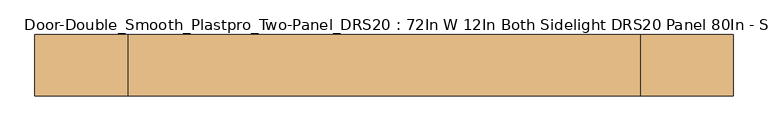
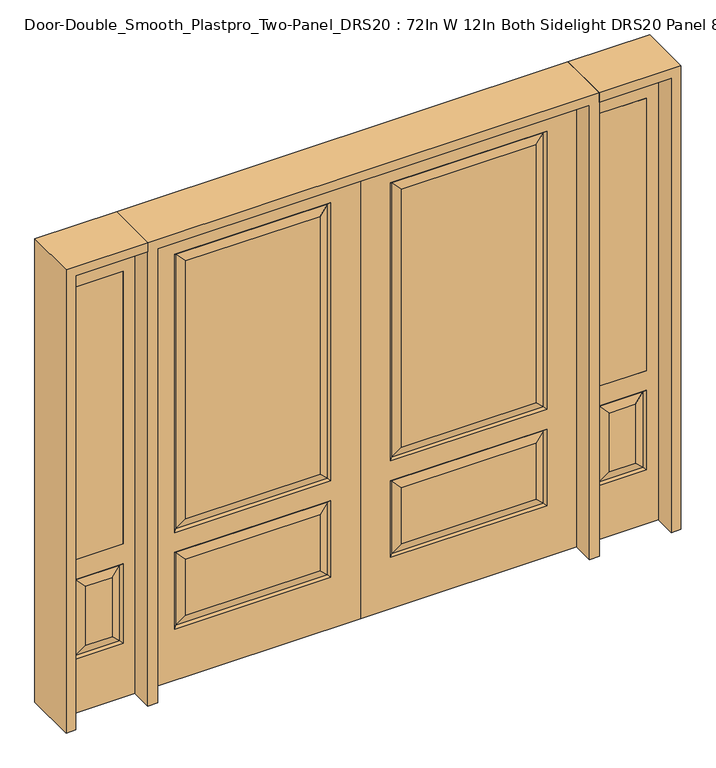
"""IFC4 building model written with IfcOpenShell, lengths in millimetres: door geometry, Door-Double_Smooth_Plastpro_Two-Panel_DRS20 : 72In W 12In Both Sidelight DRS20 Panel 80In - Smooth."""

from ifc_helpers import new_model, si_unit, frame, origin, place, context, project, spatial, polyline, outline, extrude, faceted_brep, source, transform, mapped, element, save


def door_double_smooth_plastpro_two_panel_drs20_72in_w_12in_both_73765ece(model_context):
    return source(origin(), model_context, "Body", "SolidModel", [
        faceted_brep([(-914.4, 20.6375, 2032.0), (-914.4, -20.6375, 2032.0), (0.0, -20.6375, 2032.0), (0.0, 20.6375, 2032.0), (-914.4, -20.6375, 0.0), (0.0, -20.6375, 0.0), (-787.4, -20.6375, 228.6), (-787.4, -20.6375, 571.5), (-127.0, -20.6375, 571.5), (-127.0, -20.6375, 228.6), (-787.4, -20.6375, 660.4), (-787.4, -20.6375, 1905.0), (-127.0, -20.6375, 1905.0), (-127.0, -20.6375, 660.4), (-173.0375, -20.6375, 706.4375), (-173.0375, -20.6375, 1858.9625), (-741.3625, -20.6375, 1858.9625), (-741.3625, -20.6375, 706.4375), (-173.0375, -20.6375, 274.6375), (-173.0375, -20.6375, 525.4625), (-741.3625, -20.6375, 525.4625), (-741.3625, -20.6375, 274.6375), (-778.4197439, 11.6572439, 562.5197439), (-787.4, 20.6375, 571.5), (-127.0, 20.6375, 571.5), (-135.9802561, 11.6572439, 562.5197439), (-127.0, 20.6375, 228.6), (-135.9802561, 11.6572439, 237.5802561), (-787.4, 20.6375, 228.6), (-778.4197439, 11.6572439, 237.5802561), (-778.4197439, -11.6572439, 669.3802561), (-135.9802561, -11.6572439, 669.3802561), (-135.9802561, -11.6572439, 1896.0197439), (-778.4197439, -11.6572439, 1896.0197439), (-778.4197439, -11.6572439, 237.5802561), (-135.9802561, -11.6572439, 237.5802561), (-778.4197439, -11.6572439, 562.5197439), (-135.9802561, -11.6572439, 562.5197439), (-914.4, 20.6375, 0.0), (0.0, 20.6375, 0.0), (-173.0375, 20.6375, 525.4625), (-173.0375, 20.6375, 274.6375), (-741.3625, 20.6375, 274.6375), (-741.3625, 20.6375, 525.4625), (-787.4, 20.6375, 1905.0), (-787.4, 20.6375, 660.4), (-127.0, 20.6375, 660.4), (-127.0, 20.6375, 1905.0), (-173.0375, 20.6375, 1858.9625), (-173.0375, 20.6375, 706.4375), (-741.3625, 20.6375, 706.4375), (-741.3625, 20.6375, 1858.9625), (-135.9802561, 11.6572439, 669.3802561), (-135.9802561, 11.6572439, 1896.0197439), (-778.4197439, 11.6572439, 669.3802561), (-778.4197439, 11.6572439, 1896.0197439)], [[[0, 1, 2, 3]], [[1, 4, 5, 2], [6, 7, 8, 9], [10, 11, 12, 13]], [[14, 15, 16, 17]], [[18, 19, 20, 21]], [[22, 23, 24, 25]], [[24, 26, 27, 25]], [[26, 28, 29, 27]], [[22, 29, 28, 23]], [[30, 10, 13, 31]], [[13, 12, 32, 31]], [[30, 33, 11, 10]], [[31, 14, 17, 30]], [[31, 32, 15, 14]], [[34, 6, 9, 35]], [[34, 36, 7, 6]], [[37, 36, 20, 19]], [[35, 37, 19, 18]], [[38, 39, 5, 4]], [[0, 38, 4, 1]], [[2, 5, 39, 3]], [[40, 41, 42, 43]], [[3, 39, 38, 0], [23, 28, 26, 24], [44, 45, 46, 47]], [[48, 49, 50, 51]], [[47, 46, 52, 53]], [[46, 45, 54, 52]], [[55, 54, 45, 44]], [[51, 50, 54, 55]], [[52, 54, 50, 49]], [[53, 52, 49, 48]], [[25, 40, 43, 22]], [[43, 42, 29, 22]], [[27, 29, 42, 41]], [[25, 27, 41, 40]], [[17, 16, 33, 30]], [[9, 8, 37, 35]], [[8, 7, 36, 37]], [[35, 18, 21, 34]], [[21, 20, 36, 34]], [[12, 11, 33, 32]], [[32, 33, 16, 15]], [[55, 44, 47, 53]], [[53, 48, 51, 55]]]),
        faceted_brep([(914.4, 20.6375, 2032.0), (0.0, 20.6375, 2032.0), (0.0, -20.6375, 2032.0), (914.4, -20.6375, 2032.0), (173.0375, -20.6375, 706.4375), (741.3625, -20.6375, 706.4375), (741.3625, -20.6375, 1858.9625), (173.0375, -20.6375, 1858.9625), (173.0375, -20.6375, 274.6375), (741.3625, -20.6375, 274.6375), (741.3625, -20.6375, 525.4625), (173.0375, -20.6375, 525.4625), (0.0, -20.6375, 0.0), (914.4, -20.6375, 0.0), (787.4, -20.6375, 660.4), (127.0, -20.6375, 660.4), (127.0, -20.6375, 1905.0), (787.4, -20.6375, 1905.0), (787.4, -20.6375, 228.6), (127.0, -20.6375, 228.6), (127.0, -20.6375, 571.5), (787.4, -20.6375, 571.5), (778.4197439, 11.6572439, 562.5197439), (135.9802561, 11.6572439, 562.5197439), (127.0, 20.6375, 571.5), (787.4, 20.6375, 571.5), (135.9802561, 11.6572439, 237.5802561), (127.0, 20.6375, 228.6), (778.4197439, 11.6572439, 237.5802561), (787.4, 20.6375, 228.6), (778.4197439, -11.6572439, 669.3802561), (135.9802561, -11.6572439, 669.3802561), (135.9802561, -11.6572439, 1896.0197439), (778.4197439, -11.6572439, 1896.0197439), (778.4197439, -11.6572439, 237.5802561), (135.9802561, -11.6572439, 237.5802561), (778.4197439, -11.6572439, 562.5197439), (135.9802561, -11.6572439, 562.5197439), (914.4, 20.6375, 0.0), (0.0, 20.6375, 0.0), (173.0375, 20.6375, 525.4625), (741.3625, 20.6375, 525.4625), (741.3625, 20.6375, 274.6375), (173.0375, 20.6375, 274.6375), (173.0375, 20.6375, 1858.9625), (741.3625, 20.6375, 1858.9625), (741.3625, 20.6375, 706.4375), (173.0375, 20.6375, 706.4375), (787.4, 20.6375, 1905.0), (127.0, 20.6375, 1905.0), (127.0, 20.6375, 660.4), (787.4, 20.6375, 660.4), (135.9802561, 11.6572439, 1896.0197439), (135.9802561, 11.6572439, 669.3802561), (778.4197439, 11.6572439, 669.3802561), (778.4197439, 11.6572439, 1896.0197439)], [[[0, 1, 2, 3]], [[4, 5, 6, 7]], [[8, 9, 10, 11]], [[3, 2, 12, 13], [14, 15, 16, 17], [18, 19, 20, 21]], [[22, 23, 24, 25]], [[24, 23, 26, 27]], [[27, 26, 28, 29]], [[22, 25, 29, 28]], [[30, 31, 15, 14]], [[15, 31, 32, 16]], [[30, 14, 17, 33]], [[31, 30, 5, 4]], [[31, 4, 7, 32]], [[34, 35, 19, 18]], [[34, 18, 21, 36]], [[37, 11, 10, 36]], [[35, 8, 11, 37]], [[38, 13, 12, 39]], [[0, 3, 13, 38]], [[2, 1, 39, 12]], [[40, 41, 42, 43]], [[44, 45, 46, 47]], [[1, 0, 38, 39], [48, 49, 50, 51], [25, 24, 27, 29]], [[49, 52, 53, 50]], [[50, 53, 54, 51]], [[55, 48, 51, 54]], [[45, 55, 54, 46]], [[53, 47, 46, 54]], [[52, 44, 47, 53]], [[23, 22, 41, 40]], [[41, 22, 28, 42]], [[26, 43, 42, 28]], [[23, 40, 43, 26]], [[5, 30, 33, 6]], [[19, 35, 37, 20]], [[20, 37, 36, 21]], [[35, 34, 9, 8]], [[9, 34, 36, 10]], [[16, 32, 33, 17]], [[32, 7, 6, 33]], [[55, 52, 49, 48]], [[52, 55, 45, 44]]]),
        extrude(outline(polyline([(1006.475, -20.6375), (1006.475, 20.6375), (1209.675, 20.6375), (1209.675, -20.6375), (1006.475, -20.6375)])), frame((0.0, 0.0, 685.8), z_axis=(0.0, 0.0, 1.0), x_axis=(1.0, 0.0, 0.0)), (0.0, 0.0, 1.0), 1219.2),
        faceted_brep([(1260.475, -20.6375, 0.0), (1260.475, -20.6375, 2032.0), (955.675, -20.6375, 2032.0), (955.675, -20.6375, 0.0), (1006.475, -20.6375, 685.8), (1006.475, -20.6375, 1905.0), (1209.675, -20.6375, 1905.0), (1209.675, -20.6375, 685.8), (1006.475, -20.6375, 241.3), (1006.475, -20.6375, 596.9), (1209.675, -20.6375, 596.9), (1209.675, -20.6375, 241.3), (1163.6375, -20.6375, 287.3375), (1163.6375, -20.6375, 550.8625), (1052.5125, -20.6375, 550.8625), (1052.5125, -20.6375, 287.3375), (955.675, 20.6375, 0.0), (1260.475, 20.6375, 0.0), (955.675, 20.6375, 2032.0), (1260.475, 20.6375, 2032.0), (1015.4552561, -11.6572439, 250.2802561), (1200.6947439, -11.6572439, 250.2802561), (1200.6947439, -11.6572439, 587.9197439), (1015.4552561, -11.6572439, 587.9197439), (1209.675, 20.6375, 685.8), (1006.475, 20.6375, 685.8), (1209.675, 20.6375, 1905.0), (1006.475, 20.6375, 1905.0), (1209.675, 20.6375, 241.3), (1209.675, 20.6375, 596.9), (1006.475, 20.6375, 596.9), (1006.475, 20.6375, 241.3), (1052.5125, 20.6375, 287.3375), (1052.5125, 20.6375, 550.8625), (1163.6375, 20.6375, 550.8625), (1163.6375, 20.6375, 287.3375), (1015.4552561, 11.6572439, 250.2802561), (1200.6947439, 11.6572439, 250.2802561), (1015.4552561, 11.6572439, 587.9197439), (1200.6947439, 11.6572439, 587.9197439)], [[[0, 1, 2, 3], [4, 5, 6, 7], [8, 9, 10, 11]], [[12, 13, 14, 15]], [[3, 16, 17, 0]], [[2, 18, 16, 3]], [[0, 17, 19, 1]], [[20, 8, 11, 21]], [[11, 10, 22, 21]], [[10, 9, 23, 22]], [[20, 23, 9, 8]], [[21, 12, 15, 20]], [[15, 14, 23, 20]], [[22, 23, 14, 13]], [[21, 22, 13, 12]], [[4, 7, 24, 25]], [[7, 6, 26, 24]], [[25, 27, 5, 4]], [[17, 16, 18, 19], [24, 26, 27, 25], [28, 29, 30, 31]], [[32, 33, 34, 35]], [[28, 31, 36, 37]], [[31, 30, 38, 36]], [[39, 38, 30, 29]], [[37, 39, 29, 28]], [[36, 32, 35, 37]], [[35, 34, 39, 37]], [[34, 33, 38, 39]], [[36, 38, 33, 32]], [[1, 19, 18, 2]], [[27, 26, 6, 5]]]),
        extrude(outline(polyline([(-1006.475, -20.6375), (-1209.675, -20.6375), (-1209.675, 20.6375), (-1006.475, 20.6375), (-1006.475, -20.6375)])), frame((0.0, 0.0, 685.8), z_axis=(0.0, 0.0, 1.0), x_axis=(1.0, 0.0, 0.0)), (0.0, 0.0, 1.0), 1219.2),
        faceted_brep([(-1260.475, -20.6375, 0.0), (-955.675, -20.6375, 0.0), (-955.675, -20.6375, 2032.0), (-1260.475, -20.6375, 2032.0), (-1006.475, -20.6375, 685.8), (-1209.675, -20.6375, 685.8), (-1209.675, -20.6375, 1905.0), (-1006.475, -20.6375, 1905.0), (-1006.475, -20.6375, 241.3), (-1209.675, -20.6375, 241.3), (-1209.675, -20.6375, 596.9), (-1006.475, -20.6375, 596.9), (-1163.6375, -20.6375, 287.3375), (-1052.5125, -20.6375, 287.3375), (-1052.5125, -20.6375, 550.8625), (-1163.6375, -20.6375, 550.8625), (-1260.475, 20.6375, 0.0), (-955.675, 20.6375, 0.0), (-955.675, 20.6375, 2032.0), (-1260.475, 20.6375, 2032.0), (-1015.4552561, -11.6572439, 250.2802561), (-1200.6947439, -11.6572439, 250.2802561), (-1200.6947439, -11.6572439, 587.9197439), (-1015.4552561, -11.6572439, 587.9197439), (-1006.475, 20.6375, 685.8), (-1209.675, 20.6375, 685.8), (-1209.675, 20.6375, 1905.0), (-1006.475, 20.6375, 1905.0), (-1209.675, 20.6375, 241.3), (-1006.475, 20.6375, 241.3), (-1006.475, 20.6375, 596.9), (-1209.675, 20.6375, 596.9), (-1052.5125, 20.6375, 287.3375), (-1163.6375, 20.6375, 287.3375), (-1163.6375, 20.6375, 550.8625), (-1052.5125, 20.6375, 550.8625), (-1200.6947439, 11.6572439, 250.2802561), (-1015.4552561, 11.6572439, 250.2802561), (-1015.4552561, 11.6572439, 587.9197439), (-1200.6947439, 11.6572439, 587.9197439)], [[[0, 1, 2, 3], [4, 5, 6, 7], [8, 9, 10, 11]], [[12, 13, 14, 15]], [[1, 0, 16, 17]], [[2, 1, 17, 18]], [[0, 3, 19, 16]], [[20, 21, 9, 8]], [[9, 21, 22, 10]], [[10, 22, 23, 11]], [[20, 8, 11, 23]], [[21, 20, 13, 12]], [[13, 20, 23, 14]], [[22, 15, 14, 23]], [[21, 12, 15, 22]], [[4, 24, 25, 5]], [[5, 25, 26, 6]], [[24, 4, 7, 27]], [[16, 19, 18, 17], [25, 24, 27, 26], [28, 29, 30, 31]], [[32, 33, 34, 35]], [[28, 36, 37, 29]], [[29, 37, 38, 30]], [[39, 31, 30, 38]], [[36, 28, 31, 39]], [[37, 36, 33, 32]], [[33, 36, 39, 34]], [[34, 39, 38, 35]], [[37, 32, 35, 38]], [[3, 2, 18, 19]], [[27, 7, 6, 26]]]),
        extrude(outline(polyline([(2032.0, -955.675), (2073.275, -955.675), (2073.275, -1301.75), (0.0, -1301.75), (0.0, -1260.475), (2032.0, -1260.475), (2032.0, -955.675)])), frame((0.0, -114.3, 0.0), z_axis=(0.0, 1.0, 0.0), x_axis=(0.0, 0.0, 1.0)), (0.0, 0.0, 1.0), 228.6),
        extrude(outline(polyline([(2073.275, -955.675), (0.0, -955.675), (0.0, -914.4), (2032.0, -914.4), (2032.0, 914.4), (0.0, 914.4), (0.0, 955.675), (2073.275, 955.675), (2073.275, -955.675)])), frame((0.0, -114.3, 0.0), z_axis=(0.0, 1.0, 0.0), x_axis=(0.0, 0.0, 1.0)), (0.0, 0.0, 1.0), 228.6),
        extrude(outline(polyline([(0.0, 1260.475), (0.0, 1301.75), (2073.275, 1301.75), (2073.275, 955.675), (2032.0, 955.675), (2032.0, 1260.475), (0.0, 1260.475)])), frame((0.0, -114.3, 0.0), z_axis=(0.0, 1.0, 0.0), x_axis=(0.0, 0.0, 1.0)), (0.0, 0.0, 1.0), 228.6),
    ])


if __name__ == "__main__":
    model = new_model("IFC4")
    model_context = context("Model", 3, world=origin())
    ifc_project = project(units=[si_unit("LENGTHUNIT", "METRE", prefix="MILLI")], contexts=[model_context])
    site = spatial("IfcSite", under=ifc_project)
    building = spatial("IfcBuilding", under=site)
    placement = place(None, origin())
    door_double_smooth_plastpro_two_panel_drs20_72in_w_12in_both_shape = door_double_smooth_plastpro_two_panel_drs20_72in_w_12in_both_73765ece(model_context)
    element("IfcDoor", 1, ObjectType="Door-Double_Smooth_Plastpro_Two-Panel_DRS20 : 72In W 12In Both Sidelight DRS20 Panel 80In - Smooth", at=placement, inside=building, context=model_context, shape_type="MappedRepresentation", body=[
        mapped(door_double_smooth_plastpro_two_panel_drs20_72in_w_12in_both_shape, transform((0.0, 0.0, 0.0), x_axis=(1.0, 0.0, 0.0), y_axis=(0.0, 1.0, 0.0), z_axis=(0.0, 0.0, 1.0))),
    ])
    save(model, "model.ifc")
